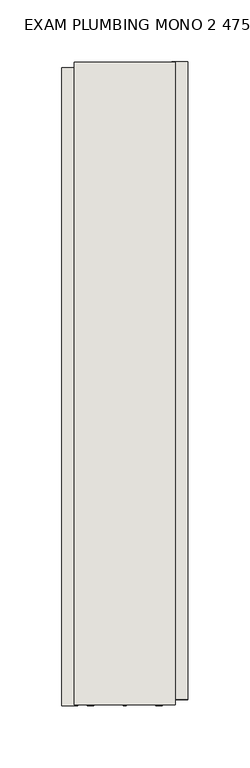
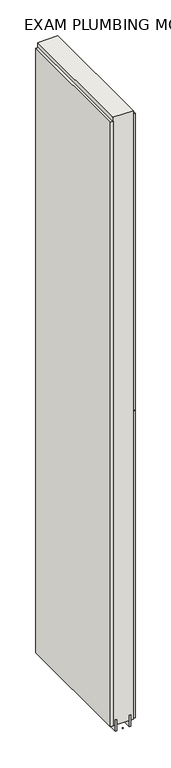
"""IFC4 building model written with IfcOpenShell, lengths in millimetres: wall geometry, EXAM PLUMBING MONO 2 475421 : EXAM PLUMBING MONO 2 475421."""

from ifc_helpers import new_model, si_unit, frame, origin, place, context, project, spatial, polyline, outline, extrude, source, transform, mapped, element, save


def exam_plumbing_mono_2_475421_exam_plumbing_mono_2_475421_91c45610(model_context):
    return source(origin(), model_context, "Body", "SweptSolid", [
        extrude(outline(polyline([(57408.482211, -55037.5472272), (57408.482211, -55040.0872272), (57405.942211, -55040.0872272), (57405.942211, -55037.5472272), (57408.482211, -55037.5472272)])), frame((0.0, 0.0, 4419.6), z_axis=(0.0, 0.0, 1.0), x_axis=(1.0, 0.0, 0.0)), (0.0, 0.0, 1.0), 2.54),
        extrude(outline(polyline([(57356.412211, -55040.5565176), (57356.412211, -54525.4440604), (57369.112211, -54525.4440604), (57369.112211, -55040.5565176), (57356.412211, -55040.5565176)])), frame((0.0, 0.0, 4445.0), z_axis=(0.0, 0.0, 1.0), x_axis=(1.0, 0.0, 0.0)), (0.0, 0.0, 1.0), 2545.0498756),
        extrude(outline(polyline([(57458.012211, -54520.507926), (57458.012211, -55035.6203832), (57445.312211, -55035.6203832), (57445.312211, -54520.507926), (57458.012211, -54520.507926)])), frame((0.0, 0.0, 4445.0), z_axis=(0.0, 0.0, 1.0), x_axis=(1.0, 0.0, 0.0)), (0.0, 0.0, 1.0), 1293.400004),
        extrude(outline(polyline([(57458.012211, -54520.507926), (57458.012211, -55035.6203832), (57445.312211, -55035.6203832), (57445.312211, -54520.507926), (57458.012211, -54520.507926)])), frame((0.0, 0.0, 5742.4000722), z_axis=(0.0, 0.0, 1.0), x_axis=(1.0, 0.0, 0.0)), (0.0, 0.0, 1.0), 1247.649905),
        extrude(outline(polyline([(57382.1284664, -54520.9759718), (57382.1284664, -55040.100867), (57377.049711, -55040.100867), (57377.049711, -54520.9759718), (57382.1284664, -54520.9759718)])), frame((0.0, 0.0, 4418.6602), z_axis=(0.0, 0.0, 1.0), x_axis=(1.0, 0.0, 0.0)), (0.0, 0.0, 1.0), 47.625),
        extrude(outline(polyline([(57382.1284664, -54520.9759718), (57382.1284664, -55040.100867), (57377.049711, -55040.100867), (57377.049711, -54520.9759718), (57382.1284664, -54520.9759718)])), frame((0.0, 0.0, 4418.6602), z_axis=(0.0, 0.0, 1.0), x_axis=(1.0, 0.0, 0.0)), (0.0, 0.0, 1.0), 47.625),
        extrude(outline(polyline([(57432.2959556, -55040.100867), (57432.2959556, -54520.9759718), (57437.374711, -54520.9759718), (57437.374711, -55040.100867), (57432.2959556, -55040.100867)])), frame((0.0, 0.0, 4418.6602), z_axis=(0.0, 0.0, 1.0), x_axis=(1.0, 0.0, 0.0)), (0.0, 0.0, 1.0), 47.625),
        extrude(outline(polyline([(57432.2959556, -55040.100867), (57432.2959556, -54520.9759718), (57437.374711, -54520.9759718), (57437.374711, -55040.100867), (57432.2959556, -55040.100867)])), frame((0.0, 0.0, 4418.6602), z_axis=(0.0, 0.0, 1.0), x_axis=(1.0, 0.0, 0.0)), (0.0, 0.0, 1.0), 47.625),
        extrude(outline(polyline([(57366.5573266, -54520.9759718), (57447.8670954, -54520.9759718), (57447.8670954, -55040.100867), (57366.5573266, -55040.100867), (57366.5573266, -54520.9759718)])), frame((0.0, 0.0, 4445.0), z_axis=(0.0, 0.0, 1.0), x_axis=(1.0, 0.0, 0.0)), (0.0, 0.0, 1.0), 2562.4536762),
    ])


if __name__ == "__main__":
    model = new_model("IFC4")
    model_context = context("Model", 3, world=origin())
    ifc_project = project(units=[si_unit("LENGTHUNIT", "METRE", prefix="MILLI")], contexts=[model_context])
    site = spatial("IfcSite", under=ifc_project)
    building = spatial("IfcBuilding", under=site)
    placement = place(None, origin())
    exam_plumbing_mono_2_475421_exam_plumbing_mono_2_475421_shape = exam_plumbing_mono_2_475421_exam_plumbing_mono_2_475421_91c45610(model_context)
    element("IfcWall", 1, ObjectType="EXAM PLUMBING MONO 2 475421 : EXAM PLUMBING MONO 2 475421", at=placement, inside=building, context=model_context, shape_type="MappedRepresentation", body=[
        mapped(exam_plumbing_mono_2_475421_exam_plumbing_mono_2_475421_shape, transform((0.0, 0.0, 0.0), x_axis=(1.0, 0.0, 0.0), y_axis=(0.0, 1.0, 0.0), z_axis=(0.0, 0.0, 1.0))),
    ])
    save(model, "model.ifc")
